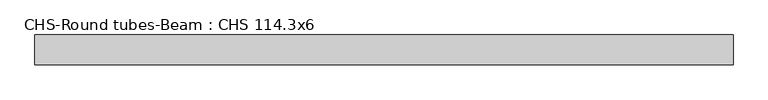
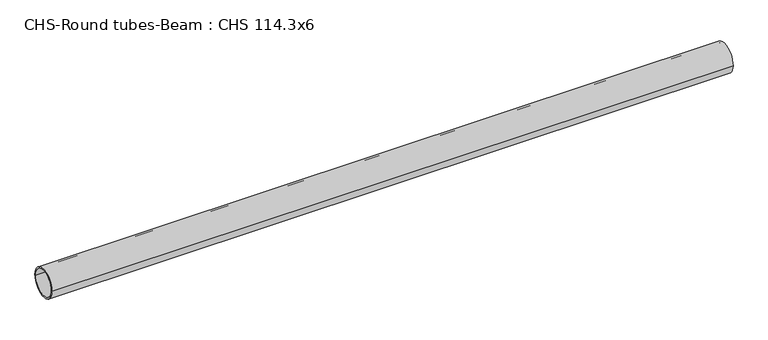
"""IFC4 building model written with IfcOpenShell, lengths in millimetres: beam geometry, CHS-Round tubes-Beam : CHS 114.3x6."""

from ifc_helpers import new_model, si_unit, point, frame, origin, origin_2d, place, context, project, spatial, circle_curve, trimmed, segment, composite_curve, outline, extrude, source, transform, mapped, element, save


def chs_round_tubes_beam_chs_114_3x6_f7ec7650(model_context):
    return source(origin(), model_context, "Body", "SweptSolid", [
        extrude(outline(composite_curve([segment(trimmed(circle_curve(origin_2d(), 57.15), [point((57.15, 0.0))], [point((-57.15, 0.0))], False, "CARTESIAN"), True, "CONTINUOUS"), segment(trimmed(circle_curve(origin_2d(), 57.15), [point((-57.15, 0.0))], [point((57.15, 0.0))], False, "CARTESIAN"), True, "CONTINUOUS")], self_intersect=False), holes=[composite_curve([segment(trimmed(circle_curve(origin_2d(), 51.15), [point((51.15, 0.0))], [point((-51.15, 0.0))], True, "CARTESIAN"), True, "CONTINUOUS"), segment(trimmed(circle_curve(origin_2d(), 51.15), [point((-51.15, 0.0))], [point((51.15, 0.0))], True, "CARTESIAN"), True, "CONTINUOUS")], self_intersect=False)]), frame((-1297.1858837, 0.0, 0.0), z_axis=(1.0, 0.0, 0.0), x_axis=(0.0, 1.0, 0.0)), (0.0, 0.0, 1.0), 2654.363891),
    ])


if __name__ == "__main__":
    model = new_model("IFC4")
    model_context = context("Model", 3, world=origin())
    ifc_project = project(units=[si_unit("LENGTHUNIT", "METRE", prefix="MILLI")], contexts=[model_context])
    site = spatial("IfcSite", under=ifc_project)
    building = spatial("IfcBuilding", under=site)
    placement = place(None, origin())
    chs_round_tubes_beam_chs_114_3x6_shape = chs_round_tubes_beam_chs_114_3x6_f7ec7650(model_context)
    element("IfcBeam", 1, ObjectType="CHS-Round tubes-Beam : CHS 114.3x6", at=placement, inside=building, context=model_context, shape_type="MappedRepresentation", body=[
        mapped(chs_round_tubes_beam_chs_114_3x6_shape, transform((0.0, 0.0, 0.0), x_axis=(1.0, 0.0, 0.0), y_axis=(0.0, 1.0, 0.0), z_axis=(0.0, 0.0, 1.0))),
    ])
    save(model, "model.ifc")
